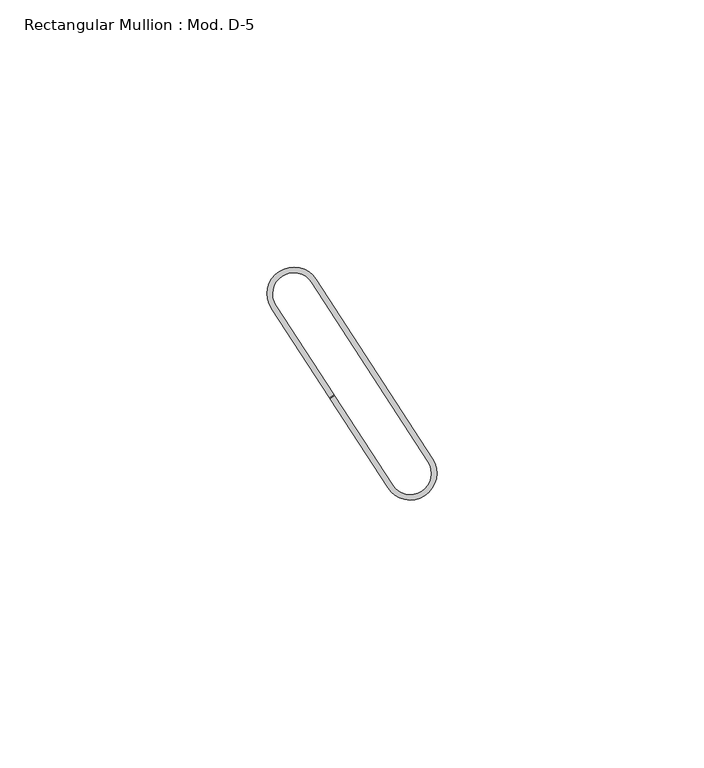
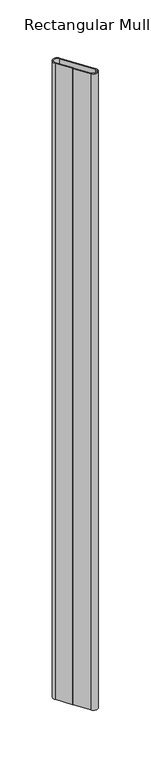
"""IFC4 building model written with IfcOpenShell, lengths in millimetres: member geometry, Rectangular Mullion : Mod. D-5."""

import ifcopenshell
import ifcopenshell.guid

model = None  # the IFC model being written
_history = None  # IfcOwnerHistory: only IFC2X3 demands one
_inside = {}  # id of a spatial element -> (the spatial element, [elements in it])
_under = {}  # id of a project, library or spatial element -> (it, [spatial elements below it])
_declared = {}  # id of a project -> (the project, [libraries it declares])
_typed = {}  # id of a type object -> (the type object, [elements of that type])
_made_of = {}  # id of a material, layer set ... -> (it, [elements and type objects made of it])


def new_model(schema):
    """Start an empty IFC model of exactly this schema.

    Asked for "IFC4X3", IfcOpenShell would pick the latest addendum, in which some entities
    have other attributes; the version numbers below select the first issue.
    IFC2X3 requires an IfcOwnerHistory on every rooted entity: one is made here for all.
    """
    global model, _history
    if schema == "IFC4X3":
        model = ifcopenshell.file(schema_version=(4, 3, 0, 0))
    else:
        model = ifcopenshell.file(schema=schema)
    _inside.clear()
    _under.clear()
    _declared.clear()
    _typed.clear()
    _made_of.clear()
    _history = None
    if model.schema == "IFC2X3":
        org = make("IfcOrganization", Name="unknown")
        user = make(
            "IfcPersonAndOrganization",
            ThePerson=make("IfcPerson", FamilyName="unknown"),
            TheOrganization=org,
        )
        app = make(
            "IfcApplication",
            ApplicationDeveloper=org,
            Version="unknown",
            ApplicationFullName="unknown",
            ApplicationIdentifier="unknown",
        )
        _history = make(
            "IfcOwnerHistory",
            OwningUser=user,
            OwningApplication=app,
            ChangeAction="ADDED",
            CreationDate=0,
        )
    return model


def make(cls, **values):
    """One entity of the class cls with the attributes given. An attribute that is None is left unset."""
    return model.create_entity(
        cls, **{name: value for name, value in values.items() if value is not None}
    )


def rooted(cls, **values):
    """An entity with a GlobalId (a new one), such as an element, a storey or a relation."""
    return make(cls, GlobalId=ifcopenshell.guid.new(), OwnerHistory=_history, **values)


def si_unit(unit_type, name, prefix=None):
    """IfcSIUnit, for example si_unit("LENGTHUNIT", "METRE", prefix="MILLI")."""
    return make("IfcSIUnit", UnitType=unit_type, Prefix=prefix, Name=name)


def assignment(units):
    """IfcUnitAssignment: the units of a project."""
    return None if units is None else make("IfcUnitAssignment", Units=units)


def point(xyz):
    """IfcCartesianPoint."""
    return None if xyz is None else make("IfcCartesianPoint", Coordinates=xyz)


def direction(xyz):
    """IfcDirection."""
    return None if xyz is None else make("IfcDirection", DirectionRatios=xyz)


def frame(location, z_axis=None, x_axis=None):
    """IfcAxis2Placement3D, a coordinate frame: its origin and axes. An axis left out is left unset."""
    return make(
        "IfcAxis2Placement3D",
        Location=point(location),
        Axis=direction(z_axis),
        RefDirection=direction(x_axis),
    )


def frame_2d(location, x_axis=None):
    """IfcAxis2Placement2D, a coordinate frame in the plane: its origin and x axis."""
    return make(
        "IfcAxis2Placement2D", Location=point(location), RefDirection=direction(x_axis)
    )


def origin():
    """The frame at (0, 0, 0) with its axes left unset."""
    return frame((0.0, 0.0, 0.0))


def place(relative_to, where):
    """IfcLocalPlacement: puts the frame where relative to a parent placement (None: the world)."""
    return make(
        "IfcLocalPlacement", PlacementRelTo=relative_to, RelativePlacement=where
    )


def context(
    kind, dimensions, precision=None, world=None, true_north=None, identifier=None
):
    """IfcGeometricRepresentationContext, for example the 3D "Model" context."""
    return make(
        "IfcGeometricRepresentationContext",
        ContextIdentifier=identifier,
        ContextType=kind,
        CoordinateSpaceDimension=dimensions,
        Precision=precision,
        WorldCoordinateSystem=world,
        TrueNorth=true_north,
    )


def project(units=None, contexts=None):
    """IfcProject with its units and contexts."""
    return rooted(
        "IfcProject",
        Name="project",
        RepresentationContexts=contexts,
        UnitsInContext=assignment(units),
    )


def spatial(cls, under=None, at=None, **own):
    """A site, building, storey or space (cls), placed at a placement, below another one or the project."""
    s = rooted(cls, ObjectPlacement=at, **own)
    if under is not None:
        _under.setdefault(under.id(), (under, []))[1].append(s)
    return s


def polyline(points):
    """IfcPolyline through the points."""
    return make("IfcPolyline", Points=[point(p) for p in points])


def circle_curve(where, radius):
    """IfcCircle in the frame where."""
    return make("IfcCircle", Position=where, Radius=radius)


def trimmed(basis, trim1, trim2, sense, master):
    """IfcTrimmedCurve: the piece of a basis curve between two trims."""
    return make(
        "IfcTrimmedCurve",
        BasisCurve=basis,
        Trim1=trim1,
        Trim2=trim2,
        SenseAgreement=sense,
        MasterRepresentation=master,
    )


def segment(curve, same_sense, transition):
    """IfcCompositeCurveSegment."""
    return make(
        "IfcCompositeCurveSegment",
        Transition=transition,
        SameSense=same_sense,
        ParentCurve=curve,
    )


def composite_curve(segments, self_intersect=None):
    """IfcCompositeCurve: segments joined end to end."""
    return make("IfcCompositeCurve", Segments=segments, SelfIntersect=self_intersect)


def outline(outer, holes=None, kind="AREA"):
    """IfcArbitraryClosedProfileDef: a profile drawn as a closed curve; with holes, ...WithVoids."""
    if holes is None:
        return make("IfcArbitraryClosedProfileDef", ProfileType=kind, OuterCurve=outer)
    return make(
        "IfcArbitraryProfileDefWithVoids",
        ProfileType=kind,
        OuterCurve=outer,
        InnerCurves=holes,
    )


def extrude(swept, where, along, depth):
    """IfcExtrudedAreaSolid: the profile swept, set in the frame where, extruded along a direction by depth."""
    return make(
        "IfcExtrudedAreaSolid",
        SweptArea=swept,
        Position=where,
        ExtrudedDirection=direction(along),
        Depth=depth,
    )


def shape(context_of_items, identifier, shape_type, items):
    """IfcShapeRepresentation: the items that make up one representation, for example the "Body"."""
    return make(
        "IfcShapeRepresentation",
        ContextOfItems=context_of_items,
        RepresentationIdentifier=identifier,
        RepresentationType=shape_type,
        Items=items,
    )


def source(mapping_origin, context_of_items, identifier, shape_type, items):
    """IfcRepresentationMap: a shape defined once, which mapped items show again and again."""
    return make(
        "IfcRepresentationMap",
        MappingOrigin=mapping_origin,
        MappedRepresentation=shape(context_of_items, identifier, shape_type, items),
    )


def transform(
    local_origin,
    x_axis=None,
    y_axis=None,
    z_axis=None,
    scale=None,
    scale2=None,
    scale3=None,
    uniform=True,
):
    """IfcCartesianTransformationOperator3D, or its non-uniform kind. x_axis, y_axis, z_axis: its Axis1, 2, 3."""
    if uniform:
        return make(
            "IfcCartesianTransformationOperator3D",
            Axis1=direction(x_axis),
            Axis2=direction(y_axis),
            LocalOrigin=point(local_origin),
            Scale=scale,
            Axis3=direction(z_axis),
        )
    return make(
        "IfcCartesianTransformationOperator3DnonUniform",
        Axis1=direction(x_axis),
        Axis2=direction(y_axis),
        LocalOrigin=point(local_origin),
        Scale=scale,
        Axis3=direction(z_axis),
        Scale2=scale2,
        Scale3=scale3,
    )


def mapped(mapping_source, mapping_target):
    """IfcMappedItem: shows the shape of a source again, moved by a transform."""
    return make(
        "IfcMappedItem", MappingSource=mapping_source, MappingTarget=mapping_target
    )


def made_of(thing, what):
    """Note that an element or type object is made of a material, layer set ...; save() writes the relation."""
    if what is not None:
        _made_of.setdefault(what.id(), (what, []))[1].append(thing)
    return thing


def element(
    cls,
    number,
    at=None,
    inside=None,
    cuts=None,
    type_object=None,
    material=None,
    context=None,
    identifier="Body",
    shape_type=None,
    held_by="IfcProductDefinitionShape",
    body=None,
    shapes=None,
    **own,
):
    """One element of the class cls, such as IfcWall. Its Tag is "e" and its number.

    at: its placement. inside: the storey or other place that contains it. cuts: it is an
    opening in that element (IfcRelVoidsElement). A single representation is given by context,
    identifier, shape_type and body (its items); several are given by shapes. held_by: the class
    of the entity that holds the representations. save() writes the other relations.
    """
    e = rooted(cls, Tag="e%d" % number, ObjectPlacement=at, **own)
    if body is not None:
        shapes = [shape(context, identifier, shape_type, body)]
    if shapes is not None:
        e.Representation = make(held_by, Representations=shapes)
    if inside is not None:
        _inside.setdefault(inside.id(), (inside, []))[1].append(e)
    if cuts is not None:
        rooted(
            "IfcRelVoidsElement", RelatingBuildingElement=cuts, RelatedOpeningElement=e
        )
    if type_object is not None:
        _typed.setdefault(type_object.id(), (type_object, []))[1].append(e)
    return made_of(e, material)


def aggregate(whole, parts):
    """IfcRelAggregates: a whole, such as a stair, and the parts it consists of."""
    return rooted("IfcRelAggregates", RelatingObject=whole, RelatedObjects=parts)


def save(model, path):
    """Write the relations noted so far, then the file.

    IfcRelAggregates (storeys below a building ...), IfcRelContainedInSpatialStructure (elements
    in a storey), IfcRelDefinesByType, IfcRelAssociatesMaterial and IfcRelDeclares: one each for
    every whole, place, type object, material and project.
    """
    for whole, parts in _under.values():
        aggregate(whole, parts)
    for where, things in _inside.values():
        rooted(
            "IfcRelContainedInSpatialStructure",
            RelatedElements=things,
            RelatingStructure=where,
        )
    for kind, things in _typed.values():
        rooted("IfcRelDefinesByType", RelatedObjects=things, RelatingType=kind)
    for what, things in _made_of.values():
        rooted("IfcRelAssociatesMaterial", RelatedObjects=things, RelatingMaterial=what)
    for by, libraries in _declared.values():
        rooted("IfcRelDeclares", RelatingContext=by, RelatedDefinitions=libraries)
    model.write(path)


def rectangular_mullion_mod_d_5_d7dca415(model_context):
    return source(origin(), model_context, "Body", "SweptSolid", [
        extrude(outline(composite_curve([segment(polyline([(-6.6994279, 19.4966065), (15.0861335, -14.0502162)]), True, "CONTINUOUS"), segment(trimmed(circle_curve(frame_2d((10.8927807, -16.7734114)), 5.0), [point((15.0861335, -14.0502162))], [point((6.6994279, -19.4966065))], False, "CARTESIAN"), True, "CONTINUOUS"), segment(polyline([(6.6994279, -19.4966065), (-4.148666, -2.7920069), (-3.3099954, -2.2473679), (7.5380984, -18.9519675)]), True, "CONTINUOUS"), segment(trimmed(circle_curve(frame_2d((10.8927807, -16.7734114)), 4.0), [point((7.5380984, -18.9519675))], [point((14.247463, -14.5948552))], True, "CARTESIAN"), True, "CONTINUOUS"), segment(polyline([(14.247463, -14.5948552), (-7.5380984, 18.9519675)]), True, "CONTINUOUS"), segment(trimmed(circle_curve(frame_2d((-10.8927807, 16.7734114)), 4.0), [point((-7.5380984, 18.9519675))], [point((-14.247463, 14.5948552))], True, "CARTESIAN"), True, "CONTINUOUS"), segment(polyline([(-14.247463, 14.5948552), (-3.39701, -2.1133771), (-4.2356806, -2.6580162), (-15.0861335, 14.0502162)]), True, "CONTINUOUS"), segment(trimmed(circle_curve(frame_2d((-10.8927807, 16.7734114)), 5.0), [point((-15.0861335, 14.0502162))], [point((-6.6994279, 19.4966065))], False, "CARTESIAN"), True, "CONTINUOUS")], self_intersect=False)), frame((0.0, 0.0, -770.0), z_axis=(0.0, 0.0, 1.0), x_axis=(1.0, 0.0, 0.0)), (0.0, 0.0, 1.0), 770.0),
    ])


if __name__ == "__main__":
    model = new_model("IFC4")
    model_context = context("Model", 3, world=origin())
    ifc_project = project(units=[si_unit("LENGTHUNIT", "METRE", prefix="MILLI")], contexts=[model_context])
    site = spatial("IfcSite", under=ifc_project)
    building = spatial("IfcBuilding", under=site)
    placement = place(None, origin())
    rectangular_mullion_mod_d_5_shape = rectangular_mullion_mod_d_5_d7dca415(model_context)
    element("IfcMember", 1, ObjectType="Rectangular Mullion : Mod. D-5", at=placement, inside=building, context=model_context, shape_type="MappedRepresentation", body=[
        mapped(rectangular_mullion_mod_d_5_shape, transform((0.0, 0.0, 0.0), x_axis=(1.0, 0.0, 0.0), y_axis=(0.0, 1.0, 0.0), z_axis=(0.0, 0.0, 1.0))),
    ])
    save(model, "model.ifc")
